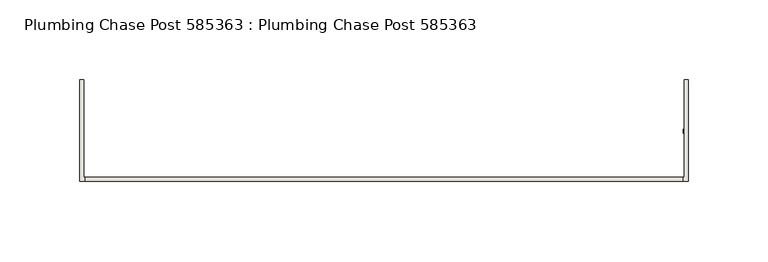
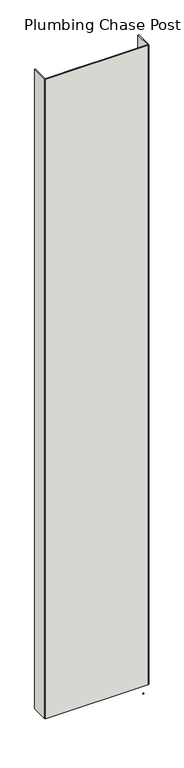
"""IFC4 building model written with IfcOpenShell, lengths in millimetres: wall geometry, Plumbing Chase Post 585363 : Plumbing Chase Post 585363."""

from ifc_helpers import new_model, si_unit, frame, origin, place, context, project, spatial, polyline, outline, extrude, source, transform, mapped, element, save


def plumbing_chase_post_585363_plumbing_chase_post_585363_17e3234f(model_context):
    return source(origin(), model_context, "Body", "SweptSolid", [
        extrude(outline(polyline([(50338.534832, -43072.1814704), (50341.074832, -43072.1814704), (50341.074832, -43074.7214704), (50338.534832, -43074.7214704), (50338.534832, -43072.1814704)])), frame((0.0, 0.0, 4419.6), z_axis=(0.0, 0.0, 1.0), x_axis=(1.0, 0.0, 0.0)), (0.0, 0.0, 1.0), 2.54),
        extrude(outline(polyline([(50338.38167, -43105.4495014), (49962.7642856, -43105.4495014), (49962.7642856, -43102.7830094), (50338.38167, -43102.7830094), (50338.38167, -43105.4495014)])), frame((0.0, 0.0, 4474.8958), z_axis=(0.0, 0.0, 1.0), x_axis=(1.0, 0.0, 0.0)), (0.0, 0.0, 1.0), 2481.1482254),
        extrude(outline(polyline([(50338.38167, -43105.4495014), (49962.7642856, -43105.4495014), (49962.7642856, -43102.7830094), (50338.38167, -43102.7830094), (50338.38167, -43105.4495014)])), frame((0.0, 0.0, 4474.8958), z_axis=(0.0, 0.0, 1.0), x_axis=(1.0, 0.0, 0.0)), (0.0, 0.0, 1.0), 2481.1482254),
        extrude(outline(polyline([(50341.8357144, -43105.4495014), (50208.4857144, -43105.4495014), (50208.4857144, -43102.7830094), (50339.1692224, -43102.7830094), (50339.1692224, -43041.4441176), (50341.8357144, -43041.4441176), (50341.8357144, -43105.4495014)])), frame((0.0, 0.0, 4474.8958), z_axis=(0.0, 0.0, 1.0), x_axis=(1.0, 0.0, 0.0)), (0.0, 0.0, 1.0), 2481.1482254),
        extrude(outline(polyline([(50341.8357144, -43105.4495014), (50208.4857144, -43105.4495014), (50208.4857144, -43102.7830094), (50339.1692224, -43102.7830094), (50339.1692224, -43041.4441176), (50341.8357144, -43041.4441176), (50341.8357144, -43105.4495014)])), frame((0.0, 0.0, 4474.8958), z_axis=(0.0, 0.0, 1.0), x_axis=(1.0, 0.0, 0.0)), (0.0, 0.0, 1.0), 2481.1482254),
        extrude(outline(polyline([(50092.6602412, -43102.7830094), (50092.6602412, -43105.4495014), (49959.3102412, -43105.4495014), (49959.3102412, -43041.4441176), (49961.9767332, -43041.4441176), (49961.9767332, -43102.7830094), (50092.6602412, -43102.7830094)])), frame((0.0, 0.0, 4474.8958), z_axis=(0.0, 0.0, 1.0), x_axis=(1.0, 0.0, 0.0)), (0.0, 0.0, 1.0), 2481.1482254),
        extrude(outline(polyline([(50092.6602412, -43102.7830094), (50092.6602412, -43105.4495014), (49959.3102412, -43105.4495014), (49959.3102412, -43041.4441176), (49961.9767332, -43041.4441176), (49961.9767332, -43102.7830094), (50092.6602412, -43102.7830094)])), frame((0.0, 0.0, 4474.8958), z_axis=(0.0, 0.0, 1.0), x_axis=(1.0, 0.0, 0.0)), (0.0, 0.0, 1.0), 2481.1482254),
    ])


if __name__ == "__main__":
    model = new_model("IFC4")
    model_context = context("Model", 3, world=origin())
    ifc_project = project(units=[si_unit("LENGTHUNIT", "METRE", prefix="MILLI")], contexts=[model_context])
    site = spatial("IfcSite", under=ifc_project)
    building = spatial("IfcBuilding", under=site)
    placement = place(None, origin())
    plumbing_chase_post_585363_plumbing_chase_post_585363_shape = plumbing_chase_post_585363_plumbing_chase_post_585363_17e3234f(model_context)
    element("IfcWall", 1, ObjectType="Plumbing Chase Post 585363 : Plumbing Chase Post 585363", at=placement, inside=building, context=model_context, shape_type="MappedRepresentation", body=[
        mapped(plumbing_chase_post_585363_plumbing_chase_post_585363_shape, transform((0.0, 0.0, 0.0), x_axis=(1.0, 0.0, 0.0), y_axis=(0.0, 1.0, 0.0), z_axis=(0.0, 0.0, 1.0))),
    ])
    save(model, "model.ifc")
